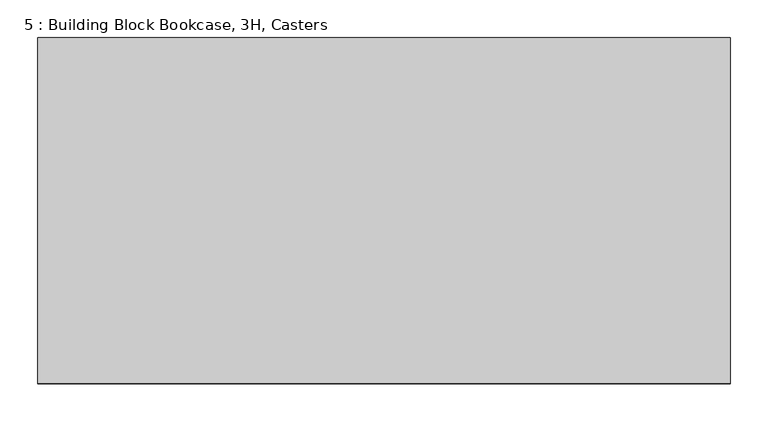
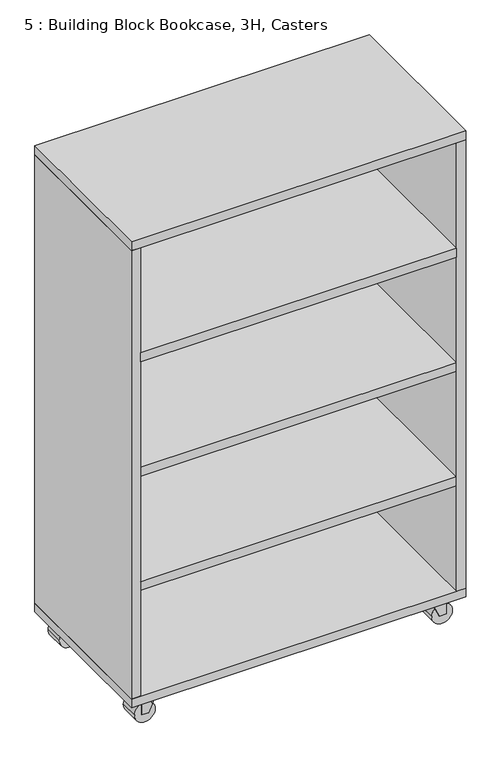
"""IFC4 building model written with IfcOpenShell, lengths in millimetres: furniture geometry, 5 : Building Block Bookcase, 3H, Casters."""

import ifcopenshell
import ifcopenshell.guid

model = None  # the IFC model being written
_history = None  # IfcOwnerHistory: only IFC2X3 demands one
_inside = {}  # id of a spatial element -> (the spatial element, [elements in it])
_under = {}  # id of a project, library or spatial element -> (it, [spatial elements below it])
_declared = {}  # id of a project -> (the project, [libraries it declares])
_typed = {}  # id of a type object -> (the type object, [elements of that type])
_made_of = {}  # id of a material, layer set ... -> (it, [elements and type objects made of it])


def new_model(schema):
    """Start an empty IFC model of exactly this schema.

    Asked for "IFC4X3", IfcOpenShell would pick the latest addendum, in which some entities
    have other attributes; the version numbers below select the first issue.
    IFC2X3 requires an IfcOwnerHistory on every rooted entity: one is made here for all.
    """
    global model, _history
    if schema == "IFC4X3":
        model = ifcopenshell.file(schema_version=(4, 3, 0, 0))
    else:
        model = ifcopenshell.file(schema=schema)
    _inside.clear()
    _under.clear()
    _declared.clear()
    _typed.clear()
    _made_of.clear()
    _history = None
    if model.schema == "IFC2X3":
        org = make("IfcOrganization", Name="unknown")
        user = make(
            "IfcPersonAndOrganization",
            ThePerson=make("IfcPerson", FamilyName="unknown"),
            TheOrganization=org,
        )
        app = make(
            "IfcApplication",
            ApplicationDeveloper=org,
            Version="unknown",
            ApplicationFullName="unknown",
            ApplicationIdentifier="unknown",
        )
        _history = make(
            "IfcOwnerHistory",
            OwningUser=user,
            OwningApplication=app,
            ChangeAction="ADDED",
            CreationDate=0,
        )
    return model


def make(cls, **values):
    """One entity of the class cls with the attributes given. An attribute that is None is left unset."""
    return model.create_entity(
        cls, **{name: value for name, value in values.items() if value is not None}
    )


def rooted(cls, **values):
    """An entity with a GlobalId (a new one), such as an element, a storey or a relation."""
    return make(cls, GlobalId=ifcopenshell.guid.new(), OwnerHistory=_history, **values)


def si_unit(unit_type, name, prefix=None):
    """IfcSIUnit, for example si_unit("LENGTHUNIT", "METRE", prefix="MILLI")."""
    return make("IfcSIUnit", UnitType=unit_type, Prefix=prefix, Name=name)


def assignment(units):
    """IfcUnitAssignment: the units of a project."""
    return None if units is None else make("IfcUnitAssignment", Units=units)


def point(xyz):
    """IfcCartesianPoint."""
    return None if xyz is None else make("IfcCartesianPoint", Coordinates=xyz)


def direction(xyz):
    """IfcDirection."""
    return None if xyz is None else make("IfcDirection", DirectionRatios=xyz)


def frame(location, z_axis=None, x_axis=None):
    """IfcAxis2Placement3D, a coordinate frame: its origin and axes. An axis left out is left unset."""
    return make(
        "IfcAxis2Placement3D",
        Location=point(location),
        Axis=direction(z_axis),
        RefDirection=direction(x_axis),
    )


def frame_2d(location, x_axis=None):
    """IfcAxis2Placement2D, a coordinate frame in the plane: its origin and x axis."""
    return make(
        "IfcAxis2Placement2D", Location=point(location), RefDirection=direction(x_axis)
    )


def origin():
    """The frame at (0, 0, 0) with its axes left unset."""
    return frame((0.0, 0.0, 0.0))


def place(relative_to, where):
    """IfcLocalPlacement: puts the frame where relative to a parent placement (None: the world)."""
    return make(
        "IfcLocalPlacement", PlacementRelTo=relative_to, RelativePlacement=where
    )


def context(
    kind, dimensions, precision=None, world=None, true_north=None, identifier=None
):
    """IfcGeometricRepresentationContext, for example the 3D "Model" context."""
    return make(
        "IfcGeometricRepresentationContext",
        ContextIdentifier=identifier,
        ContextType=kind,
        CoordinateSpaceDimension=dimensions,
        Precision=precision,
        WorldCoordinateSystem=world,
        TrueNorth=true_north,
    )


def project(units=None, contexts=None):
    """IfcProject with its units and contexts."""
    return rooted(
        "IfcProject",
        Name="project",
        RepresentationContexts=contexts,
        UnitsInContext=assignment(units),
    )


def spatial(cls, under=None, at=None, **own):
    """A site, building, storey or space (cls), placed at a placement, below another one or the project."""
    s = rooted(cls, ObjectPlacement=at, **own)
    if under is not None:
        _under.setdefault(under.id(), (under, []))[1].append(s)
    return s


def polyline(points):
    """IfcPolyline through the points."""
    return make("IfcPolyline", Points=[point(p) for p in points])


def circle_curve(where, radius):
    """IfcCircle in the frame where."""
    return make("IfcCircle", Position=where, Radius=radius)


def trimmed(basis, trim1, trim2, sense, master):
    """IfcTrimmedCurve: the piece of a basis curve between two trims."""
    return make(
        "IfcTrimmedCurve",
        BasisCurve=basis,
        Trim1=trim1,
        Trim2=trim2,
        SenseAgreement=sense,
        MasterRepresentation=master,
    )


def segment(curve, same_sense, transition):
    """IfcCompositeCurveSegment."""
    return make(
        "IfcCompositeCurveSegment",
        Transition=transition,
        SameSense=same_sense,
        ParentCurve=curve,
    )


def composite_curve(segments, self_intersect=None):
    """IfcCompositeCurve: segments joined end to end."""
    return make("IfcCompositeCurve", Segments=segments, SelfIntersect=self_intersect)


def outline(outer, holes=None, kind="AREA"):
    """IfcArbitraryClosedProfileDef: a profile drawn as a closed curve; with holes, ...WithVoids."""
    if holes is None:
        return make("IfcArbitraryClosedProfileDef", ProfileType=kind, OuterCurve=outer)
    return make(
        "IfcArbitraryProfileDefWithVoids",
        ProfileType=kind,
        OuterCurve=outer,
        InnerCurves=holes,
    )


def extrude(swept, where, along, depth):
    """IfcExtrudedAreaSolid: the profile swept, set in the frame where, extruded along a direction by depth."""
    return make(
        "IfcExtrudedAreaSolid",
        SweptArea=swept,
        Position=where,
        ExtrudedDirection=direction(along),
        Depth=depth,
    )


def shape(context_of_items, identifier, shape_type, items):
    """IfcShapeRepresentation: the items that make up one representation, for example the "Body"."""
    return make(
        "IfcShapeRepresentation",
        ContextOfItems=context_of_items,
        RepresentationIdentifier=identifier,
        RepresentationType=shape_type,
        Items=items,
    )


def source(mapping_origin, context_of_items, identifier, shape_type, items):
    """IfcRepresentationMap: a shape defined once, which mapped items show again and again."""
    return make(
        "IfcRepresentationMap",
        MappingOrigin=mapping_origin,
        MappedRepresentation=shape(context_of_items, identifier, shape_type, items),
    )


def transform(
    local_origin,
    x_axis=None,
    y_axis=None,
    z_axis=None,
    scale=None,
    scale2=None,
    scale3=None,
    uniform=True,
):
    """IfcCartesianTransformationOperator3D, or its non-uniform kind. x_axis, y_axis, z_axis: its Axis1, 2, 3."""
    if uniform:
        return make(
            "IfcCartesianTransformationOperator3D",
            Axis1=direction(x_axis),
            Axis2=direction(y_axis),
            LocalOrigin=point(local_origin),
            Scale=scale,
            Axis3=direction(z_axis),
        )
    return make(
        "IfcCartesianTransformationOperator3DnonUniform",
        Axis1=direction(x_axis),
        Axis2=direction(y_axis),
        LocalOrigin=point(local_origin),
        Scale=scale,
        Axis3=direction(z_axis),
        Scale2=scale2,
        Scale3=scale3,
    )


def mapped(mapping_source, mapping_target):
    """IfcMappedItem: shows the shape of a source again, moved by a transform."""
    return make(
        "IfcMappedItem", MappingSource=mapping_source, MappingTarget=mapping_target
    )


def made_of(thing, what):
    """Note that an element or type object is made of a material, layer set ...; save() writes the relation."""
    if what is not None:
        _made_of.setdefault(what.id(), (what, []))[1].append(thing)
    return thing


def element(
    cls,
    number,
    at=None,
    inside=None,
    cuts=None,
    type_object=None,
    material=None,
    context=None,
    identifier="Body",
    shape_type=None,
    held_by="IfcProductDefinitionShape",
    body=None,
    shapes=None,
    **own,
):
    """One element of the class cls, such as IfcWall. Its Tag is "e" and its number.

    at: its placement. inside: the storey or other place that contains it. cuts: it is an
    opening in that element (IfcRelVoidsElement). A single representation is given by context,
    identifier, shape_type and body (its items); several are given by shapes. held_by: the class
    of the entity that holds the representations. save() writes the other relations.
    """
    e = rooted(cls, Tag="e%d" % number, ObjectPlacement=at, **own)
    if body is not None:
        shapes = [shape(context, identifier, shape_type, body)]
    if shapes is not None:
        e.Representation = make(held_by, Representations=shapes)
    if inside is not None:
        _inside.setdefault(inside.id(), (inside, []))[1].append(e)
    if cuts is not None:
        rooted(
            "IfcRelVoidsElement", RelatingBuildingElement=cuts, RelatedOpeningElement=e
        )
    if type_object is not None:
        _typed.setdefault(type_object.id(), (type_object, []))[1].append(e)
    return made_of(e, material)


def aggregate(whole, parts):
    """IfcRelAggregates: a whole, such as a stair, and the parts it consists of."""
    return rooted("IfcRelAggregates", RelatingObject=whole, RelatedObjects=parts)


def save(model, path):
    """Write the relations noted so far, then the file.

    IfcRelAggregates (storeys below a building ...), IfcRelContainedInSpatialStructure (elements
    in a storey), IfcRelDefinesByType, IfcRelAssociatesMaterial and IfcRelDeclares: one each for
    every whole, place, type object, material and project.
    """
    for whole, parts in _under.values():
        aggregate(whole, parts)
    for where, things in _inside.values():
        rooted(
            "IfcRelContainedInSpatialStructure",
            RelatedElements=things,
            RelatingStructure=where,
        )
    for kind, things in _typed.values():
        rooted("IfcRelDefinesByType", RelatedObjects=things, RelatingType=kind)
    for what, things in _made_of.values():
        rooted("IfcRelAssociatesMaterial", RelatedObjects=things, RelatingMaterial=what)
    for by, libraries in _declared.values():
        rooted("IfcRelDeclares", RelatingContext=by, RelatedDefinitions=libraries)
    model.write(path)


def furniture_5_building_block_bookcase_3h_casters_864f1afc(model_context):
    return source(origin(), model_context, "Body", "SweptSolid", [
        extrude(outline(polyline([(914.4, 0.0), (914.4, -457.2), (0.0, -457.2), (0.0, 0.0), (914.4, 0.0)])), frame((0.0, 0.0, 1393.825), z_axis=(0.0, 0.0, 1.0), x_axis=(1.0, 0.0, 0.0)), (0.0, 0.0, 1.0), 25.4),
        extrude(outline(polyline([(889.0, -457.2), (25.4, -457.2), (25.4, -12.7), (889.0, -12.7), (889.0, -457.2)])), frame((0.0, 0.0, 1063.625), z_axis=(0.0, 0.0, 1.0), x_axis=(1.0, 0.0, 0.0)), (0.0, 0.0, 1.0), 25.4),
        extrude(outline(polyline([(889.0, -12.7), (25.4, -12.7), (25.4, -9.7487804), (889.0, -9.7487804), (889.0, -12.7)])), frame((0.0, 0.0, 98.425), z_axis=(0.0, 0.0, 1.0), x_axis=(1.0, 0.0, 0.0)), (0.0, 0.0, 1.0), 1295.4),
        extrude(outline(polyline([(889.0, 0.0), (914.4, 0.0), (914.4, -457.2), (889.0, -457.2), (889.0, 0.0)])), frame((0.0, 0.0, 98.425), z_axis=(0.0, 0.0, 1.0), x_axis=(1.0, 0.0, 0.0)), (0.0, 0.0, 1.0), 1295.4),
        extrude(outline(polyline([(25.4, -457.2), (0.0, -457.2), (0.0, 0.0), (25.4, 0.0), (25.4, -457.2)])), frame((0.0, 0.0, 98.425), z_axis=(0.0, 0.0, 1.0), x_axis=(1.0, 0.0, 0.0)), (0.0, 0.0, 1.0), 1295.4),
        extrude(outline(polyline([(914.4, -457.2), (0.0, -457.2), (0.0, 0.0), (914.4, 0.0), (914.4, -457.2)])), frame((0.0, 0.0, 73.025), z_axis=(0.0, 0.0, 1.0), x_axis=(1.0, 0.0, 0.0)), (0.0, 0.0, 1.0), 25.4),
        extrude(outline(polyline([(889.0, -457.2), (25.4, -457.2), (25.4, -12.7), (889.0, -12.7), (889.0, -457.2)])), frame((0.0, 0.0, 403.225), z_axis=(0.0, 0.0, 1.0), x_axis=(1.0, 0.0, 0.0)), (0.0, 0.0, 1.0), 25.4),
        extrude(outline(polyline([(889.0, -457.2), (25.4, -457.2), (25.4, -12.7), (889.0, -12.7), (889.0, -457.2)])), frame((0.0, 0.0, 733.425), z_axis=(0.0, 0.0, 1.0), x_axis=(1.0, 0.0, 0.0)), (0.0, 0.0, 1.0), 25.4),
        extrude(outline(composite_curve([segment(trimmed(circle_curve(frame_2d((28.5450835, 863.6)), 28.5450835), [point((28.5450835, 892.1450835))], [point((28.5450835, 835.0549165))], False, "CARTESIAN"), True, "CONTINUOUS"), segment(trimmed(circle_curve(frame_2d((28.5450835, 863.6)), 28.5450835), [point((28.5450835, 835.0549165))], [point((28.5450835, 892.1450835))], False, "CARTESIAN"), True, "CONTINUOUS")], self_intersect=False)), frame((0.0, -432.9785671, 0.0), z_axis=(0.0, 1.0, 0.0), x_axis=(0.0, 0.0, 1.0)), (0.0, 0.0, 1.0), 53.0422756),
        extrude(outline(polyline([(73.025, 832.6896756), (24.60625, 854.6518893), (24.60625, 874.0068204), (73.025, 874.0068204), (73.025, 832.6896756)])), frame((0.0, -434.6443623, 0.0), z_axis=(0.0, 1.0, 0.0), x_axis=(0.0, 0.0, 1.0)), (0.0, 0.0, 1.0), 56.3912026),
        extrude(outline(composite_curve([segment(trimmed(circle_curve(frame_2d((28.5450835, 50.8)), 28.5450835), [point((28.5450835, 22.2549165))], [point((28.5450835, 79.3450835))], False, "CARTESIAN"), True, "CONTINUOUS"), segment(trimmed(circle_curve(frame_2d((28.5450835, 50.8)), 28.5450835), [point((28.5450835, 79.3450835))], [point((28.5450835, 22.2549165))], False, "CARTESIAN"), True, "CONTINUOUS")], self_intersect=False)), frame((0.0, -432.9785671, 0.0), z_axis=(0.0, 1.0, 0.0), x_axis=(0.0, 0.0, 1.0)), (0.0, 0.0, 1.0), 53.0422756),
        extrude(outline(polyline([(73.025, 81.7103244), (73.025, 40.3931796), (24.60625, 40.3931796), (24.60625, 59.7481107), (73.025, 81.7103244)])), frame((0.0, -434.6443623, 0.0), z_axis=(0.0, 1.0, 0.0), x_axis=(0.0, 0.0, 1.0)), (0.0, 0.0, 1.0), 56.3912026),
        extrude(outline(composite_curve([segment(trimmed(circle_curve(frame_2d((28.5450835, 863.6)), 28.5450835), [point((28.5450835, 892.1450835))], [point((28.5450835, 835.0549165))], False, "CARTESIAN"), True, "CONTINUOUS"), segment(trimmed(circle_curve(frame_2d((28.5450835, 863.6)), 28.5450835), [point((28.5450835, 835.0549165))], [point((28.5450835, 892.1450835))], False, "CARTESIAN"), True, "CONTINUOUS")], self_intersect=False)), frame((0.0, -77.2637085, 0.0), z_axis=(0.0, 1.0, 0.0), x_axis=(0.0, 0.0, 1.0)), (0.0, 0.0, 1.0), 53.0422756),
        extrude(outline(polyline([(73.025, 832.6896756), (24.60625, 854.6518893), (24.60625, 874.0068204), (73.025, 874.0068204), (73.025, 832.6896756)])), frame((0.0, -78.9468403, 0.0), z_axis=(0.0, 1.0, 0.0), x_axis=(0.0, 0.0, 1.0)), (0.0, 0.0, 1.0), 56.3912026),
        extrude(outline(composite_curve([segment(trimmed(circle_curve(frame_2d((28.5450835, 50.8)), 28.5450835), [point((28.5450835, 22.2549165))], [point((28.5450835, 79.3450835))], False, "CARTESIAN"), True, "CONTINUOUS"), segment(trimmed(circle_curve(frame_2d((28.5450835, 50.8)), 28.5450835), [point((28.5450835, 79.3450835))], [point((28.5450835, 22.2549165))], False, "CARTESIAN"), True, "CONTINUOUS")], self_intersect=False)), frame((0.0, -77.2637085, 0.0), z_axis=(0.0, 1.0, 0.0), x_axis=(0.0, 0.0, 1.0)), (0.0, 0.0, 1.0), 53.0422756),
        extrude(outline(polyline([(73.025, 81.7103244), (73.025, 40.3931796), (24.60625, 40.3931796), (24.60625, 59.7481107), (73.025, 81.7103244)])), frame((0.0, -78.9468403, 0.0), z_axis=(0.0, 1.0, 0.0), x_axis=(0.0, 0.0, 1.0)), (0.0, 0.0, 1.0), 56.3912026),
        extrude(outline(composite_curve([segment(trimmed(circle_curve(frame_2d((850.9, -406.4)), 15.9254799), [point((866.8254799, -406.4))], [point((834.9745201, -406.4))], False, "CARTESIAN"), True, "CONTINUOUS"), segment(trimmed(circle_curve(frame_2d((850.9, -406.4)), 15.9254799), [point((834.9745201, -406.4))], [point((866.8254799, -406.4))], False, "CARTESIAN"), True, "CONTINUOUS")], self_intersect=False)), frame((0.0, 0.0, 71.040625), z_axis=(0.0, 0.0, 1.0), x_axis=(1.0, 0.0, 0.0)), (0.0, 0.0, 1.0), 0.9921875),
        extrude(outline(composite_curve([segment(trimmed(circle_curve(frame_2d((850.9, -406.4)), 10.16), [point((861.06, -406.4))], [point((840.74, -406.4))], False, "CARTESIAN"), True, "CONTINUOUS"), segment(trimmed(circle_curve(frame_2d((850.9, -406.4)), 10.16), [point((840.74, -406.4))], [point((861.06, -406.4))], False, "CARTESIAN"), True, "CONTINUOUS")], self_intersect=False)), frame((0.0, 0.0, 72.0328125), z_axis=(0.0, 0.0, 1.0), x_axis=(1.0, 0.0, 0.0)), (0.0, 0.0, 1.0), 0.9921875),
        extrude(outline(composite_curve([segment(trimmed(circle_curve(frame_2d((850.9, -50.8)), 15.9254799), [point((866.8254799, -50.8))], [point((834.9745201, -50.8))], False, "CARTESIAN"), True, "CONTINUOUS"), segment(trimmed(circle_curve(frame_2d((850.9, -50.8)), 15.9254799), [point((834.9745201, -50.8))], [point((866.8254799, -50.8))], False, "CARTESIAN"), True, "CONTINUOUS")], self_intersect=False)), frame((0.0, 0.0, 71.040625), z_axis=(0.0, 0.0, 1.0), x_axis=(1.0, 0.0, 0.0)), (0.0, 0.0, 1.0), 0.9921875),
        extrude(outline(composite_curve([segment(trimmed(circle_curve(frame_2d((850.9, -50.8)), 10.16), [point((861.06, -50.8))], [point((840.74, -50.8))], False, "CARTESIAN"), True, "CONTINUOUS"), segment(trimmed(circle_curve(frame_2d((850.9, -50.8)), 10.16), [point((840.74, -50.8))], [point((861.06, -50.8))], False, "CARTESIAN"), True, "CONTINUOUS")], self_intersect=False)), frame((0.0, 0.0, 72.0328125), z_axis=(0.0, 0.0, 1.0), x_axis=(1.0, 0.0, 0.0)), (0.0, 0.0, 1.0), 0.9921875),
        extrude(outline(composite_curve([segment(trimmed(circle_curve(frame_2d((63.5, -406.4)), 15.9254799), [point((47.5745201, -406.4))], [point((79.4254799, -406.4))], False, "CARTESIAN"), True, "CONTINUOUS"), segment(trimmed(circle_curve(frame_2d((63.5, -406.4)), 15.9254799), [point((79.4254799, -406.4))], [point((47.5745201, -406.4))], False, "CARTESIAN"), True, "CONTINUOUS")], self_intersect=False)), frame((0.0, 0.0, 71.040625), z_axis=(0.0, 0.0, 1.0), x_axis=(1.0, 0.0, 0.0)), (0.0, 0.0, 1.0), 0.9921875),
        extrude(outline(composite_curve([segment(trimmed(circle_curve(frame_2d((63.5, -406.4)), 10.16), [point((53.34, -406.4))], [point((73.66, -406.4))], False, "CARTESIAN"), True, "CONTINUOUS"), segment(trimmed(circle_curve(frame_2d((63.5, -406.4)), 10.16), [point((73.66, -406.4))], [point((53.34, -406.4))], False, "CARTESIAN"), True, "CONTINUOUS")], self_intersect=False)), frame((0.0, 0.0, 72.0328125), z_axis=(0.0, 0.0, 1.0), x_axis=(1.0, 0.0, 0.0)), (0.0, 0.0, 1.0), 0.9921875),
        extrude(outline(composite_curve([segment(trimmed(circle_curve(frame_2d((63.5, -50.8)), 15.9254799), [point((47.5745201, -50.8))], [point((79.4254799, -50.8))], False, "CARTESIAN"), True, "CONTINUOUS"), segment(trimmed(circle_curve(frame_2d((63.5, -50.8)), 15.9254799), [point((79.4254799, -50.8))], [point((47.5745201, -50.8))], False, "CARTESIAN"), True, "CONTINUOUS")], self_intersect=False)), frame((0.0, 0.0, 71.040625), z_axis=(0.0, 0.0, 1.0), x_axis=(1.0, 0.0, 0.0)), (0.0, 0.0, 1.0), 0.9921875),
        extrude(outline(composite_curve([segment(trimmed(circle_curve(frame_2d((63.5, -50.8)), 10.16), [point((53.34, -50.8))], [point((73.66, -50.8))], False, "CARTESIAN"), True, "CONTINUOUS"), segment(trimmed(circle_curve(frame_2d((63.5, -50.8)), 10.16), [point((73.66, -50.8))], [point((53.34, -50.8))], False, "CARTESIAN"), True, "CONTINUOUS")], self_intersect=False)), frame((0.0, 0.0, 72.0328125), z_axis=(0.0, 0.0, 1.0), x_axis=(1.0, 0.0, 0.0)), (0.0, 0.0, 1.0), 0.9921875),
    ])


if __name__ == "__main__":
    model = new_model("IFC4")
    model_context = context("Model", 3, world=origin())
    ifc_project = project(units=[si_unit("LENGTHUNIT", "METRE", prefix="MILLI")], contexts=[model_context])
    site = spatial("IfcSite", under=ifc_project)
    building = spatial("IfcBuilding", under=site)
    placement = place(None, origin())
    furniture_5_building_block_bookcase_3h_casters_shape = furniture_5_building_block_bookcase_3h_casters_864f1afc(model_context)
    element("IfcFurniture", 1, ObjectType="5 : Building Block Bookcase, 3H, Casters", at=placement, inside=building, context=model_context, shape_type="MappedRepresentation", body=[
        mapped(furniture_5_building_block_bookcase_3h_casters_shape, transform((0.0, 0.0, 0.0), x_axis=(1.0, 0.0, 0.0), y_axis=(0.0, 1.0, 0.0), z_axis=(0.0, 0.0, 1.0))),
    ])
    save(model, "model.ifc")
